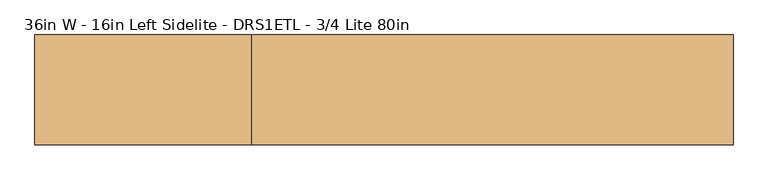
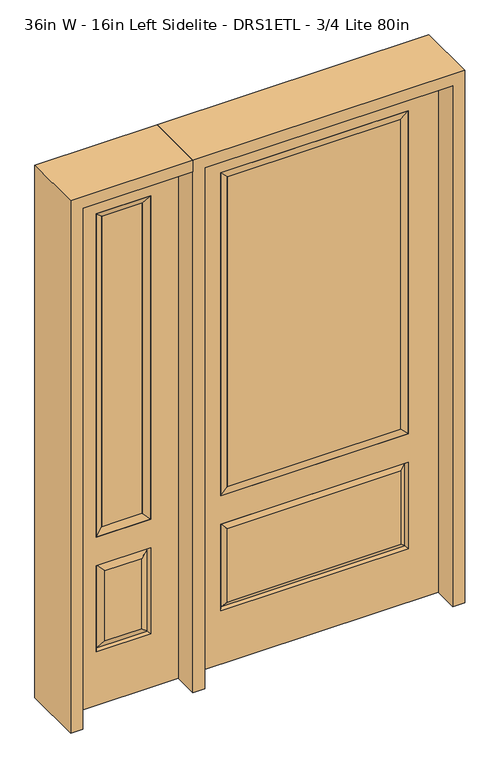
"""IFC4 building model written with IfcOpenShell, lengths in millimetres: door geometry, 36in W - 16in Left Sidelite - DRS1ETL - 3/4 Lite 80in."""

from ifc_helpers import new_model, si_unit, frame, origin, place, context, project, spatial, polyline, outline, extrude, faceted_brep, source, transform, mapped, element, save


def door_36in_w_16in_left_sidelite_drs1etl_3_4_lite_80in_ee45755c(model_context):
    return source(origin(), model_context, "Body", "SolidModel", [
        faceted_brep([(-908.05, -22.225, 0.0), (-501.65, -22.225, 0.0), (-501.65, -22.225, 2032.0), (-908.05, -22.225, 2032.0), (-604.52, -22.225, 1919.224), (-604.52, -22.225, 657.098), (-805.18, -22.225, 657.098), (-805.18, -22.225, 1919.224), (-604.52, -22.225, 209.55), (-805.18, -22.225, 209.55), (-805.18, -22.225, 546.1), (-604.52, -22.225, 546.1), (-773.4648999, -22.225, 241.2651001), (-636.2351001, -22.225, 241.2651001), (-636.2351001, -22.225, 514.3848999), (-773.4648999, -22.225, 514.3848999), (-908.05, 22.225, 0.0), (-908.05, 22.225, 2032.0), (-501.65, 22.225, 2032.0), (-501.65, 22.225, 0.0), (-604.52, 22.225, 1919.224), (-805.18, 22.225, 1919.224), (-805.18, 22.225, 657.098), (-604.52, 22.225, 657.098), (-805.18, 22.225, 209.55), (-604.52, 22.225, 209.55), (-604.52, 22.225, 546.1), (-805.18, 22.225, 546.1), (-636.2351001, 22.225, 241.2651001), (-773.4648999, 22.225, 241.2651001), (-773.4648999, 22.225, 514.3848999), (-636.2351001, 22.225, 514.3848999), (-611.6288501, 12.7912373, 216.6588501), (-798.0711499, 12.7912373, 216.6588501), (-798.0711499, 12.7912373, 538.9911499), (-611.6288501, 12.7912373, 538.9911499), (-798.0711499, -12.7912373, 216.6588501), (-611.6288501, -12.7912373, 216.6588501), (-798.0711499, -12.7912373, 538.9911499), (-611.6288501, -12.7912373, 538.9911499)], [[[0, 1, 2, 3], [4, 5, 6, 7], [8, 9, 10, 11]], [[12, 13, 14, 15]], [[16, 17, 18, 19], [20, 21, 22, 23], [24, 25, 26, 27]], [[28, 29, 30, 31]], [[1, 0, 16, 19]], [[2, 1, 19, 18]], [[3, 2, 18, 17]], [[0, 3, 17, 16]], [[5, 4, 20, 23]], [[6, 5, 23, 22]], [[7, 6, 22, 21]], [[4, 7, 21, 20]], [[32, 33, 29, 28]], [[33, 32, 25, 24]], [[29, 33, 34, 30]], [[33, 24, 27, 34]], [[30, 34, 35, 31]], [[34, 27, 26, 35]], [[32, 28, 31, 35]], [[25, 32, 35, 26]], [[12, 36, 37, 13]], [[37, 36, 9, 8]], [[36, 12, 15, 38]], [[9, 36, 38, 10]], [[38, 15, 14, 39]], [[10, 38, 39, 11]], [[13, 37, 39, 14]], [[37, 8, 11, 39]]]),
        faceted_brep([(-805.18, 22.225, 1919.224), (-805.18, -22.225, 1919.224), (-604.52, -22.225, 1919.224), (-604.52, 22.225, 1919.224), (-779.78, 12.7, 1893.824), (-629.92, 12.7, 1893.824), (-779.78, -12.7, 1893.824), (-629.92, -12.7, 1893.824), (-604.52, -22.225, 657.098), (-604.52, 22.225, 657.098), (-629.92, 12.7, 682.498), (-629.92, -12.7, 682.498), (-805.18, -22.225, 657.098), (-805.18, 22.225, 657.098), (-779.78, 12.7, 682.498), (-779.78, -12.7, 682.498)], [[[0, 1, 2, 3]], [[4, 0, 3, 5]], [[6, 4, 5, 7]], [[1, 6, 7, 2]], [[3, 2, 8, 9]], [[5, 3, 9, 10]], [[7, 5, 10, 11]], [[2, 7, 11, 8]], [[9, 8, 12, 13]], [[10, 9, 13, 14]], [[11, 10, 14, 15]], [[8, 11, 15, 12]], [[13, 12, 1, 0]], [[14, 13, 0, 4]], [[15, 14, 4, 6]], [[12, 15, 6, 1]]]),
        extrude(outline(polyline([(-629.92, -12.7), (-779.78, -12.7), (-779.78, 12.7), (-629.92, 12.7), (-629.92, -12.7)])), frame((0.0, 0.0, 682.498), z_axis=(0.0, 0.0, 1.0), x_axis=(1.0, 0.0, 0.0)), (0.0, 0.0, 1.0), 1211.326),
        faceted_brep([(-338.9661499, -12.7912373, 216.6588501), (338.9661499, -12.7912373, 216.6588501), (321.46875, -22.225, 234.15625), (-321.46875, -22.225, 234.15625), (-346.075, -22.225, 209.55), (346.075, -22.225, 209.55), (-338.9661499, -12.7912373, 538.9911499), (-346.075, -22.225, 546.1), (321.46875, -22.225, 521.49375), (-321.46875, -22.225, 521.49375), (457.2, -22.225, 2032.0), (-457.2, -22.225, 2032.0), (-457.2, -22.225, 0.0), (457.2, -22.225, 0.0), (346.075, -22.225, 546.1), (346.075, -22.225, 1917.7), (346.075, -22.225, 657.098), (-346.075, -22.225, 657.098), (-346.075, -22.225, 1917.7), (338.9661499, -12.7912373, 538.9911499), (-457.2, 22.225, 2032.0), (-457.2, 22.225, 0.0), (457.2, 22.225, 0.0), (457.2, 22.225, 2032.0), (346.075, 22.225, 1917.7), (346.075, 22.225, 657.098), (-346.075, 22.225, 657.098), (-346.075, 22.225, 1917.7), (-346.075, 22.225, 209.55), (346.075, 22.225, 209.55), (346.075, 22.225, 546.1), (-346.075, 22.225, 546.1), (321.46875, 22.225, 234.15625), (-321.46875, 22.225, 234.15625), (-321.46875, 22.225, 521.49375), (321.46875, 22.225, 521.49375), (-338.9661499, 12.7912373, 216.6588501), (338.9661499, 12.7912373, 216.6588501), (338.9661499, 12.7912373, 538.9911499), (-338.9661499, 12.7912373, 538.9911499)], [[[0, 1, 2, 3]], [[1, 0, 4, 5]], [[4, 0, 6, 7]], [[3, 2, 8, 9]], [[10, 11, 12, 13], [5, 4, 7, 14], [15, 16, 17, 18]], [[1, 5, 14, 19]], [[2, 1, 19, 8]], [[0, 3, 9, 6]], [[7, 6, 19, 14]], [[6, 9, 8, 19]], [[12, 11, 20, 21]], [[13, 12, 21, 22]], [[10, 13, 22, 23]], [[16, 15, 24, 25]], [[17, 16, 25, 26]], [[18, 17, 26, 27]], [[23, 22, 21, 20], [28, 29, 30, 31], [24, 27, 26, 25]], [[32, 33, 34, 35]], [[28, 36, 37, 29]], [[29, 37, 38, 30]], [[39, 31, 30, 38]], [[36, 28, 31, 39]], [[37, 36, 33, 32]], [[33, 36, 39, 34]], [[34, 39, 38, 35]], [[37, 32, 35, 38]], [[11, 10, 23, 20]], [[15, 18, 27, 24]]]),
        faceted_brep([(-346.075, -22.225, 1917.7), (-346.075, 22.225, 1917.7), (-346.075, 22.225, 657.098), (-346.075, -22.225, 657.098), (346.075, 22.225, 657.098), (346.075, -22.225, 657.098), (-320.675, 5.08, 682.498), (320.675, 5.08, 682.498), (346.075, 22.225, 1917.7), (346.075, -22.225, 1917.7), (-320.675, -20.32, 682.498), (320.675, -20.32, 682.498), (-320.675, -20.32, 1892.3), (320.675, -20.32, 1892.3), (-320.675, 5.08, 1892.3), (320.675, 5.08, 1892.3)], [[[0, 1, 2, 3]], [[3, 2, 4, 5]], [[2, 6, 7, 4]], [[5, 4, 8, 9]], [[10, 3, 5, 11]], [[12, 0, 3, 10]], [[11, 5, 9, 13]], [[6, 10, 11, 7]], [[14, 12, 10, 6]], [[7, 11, 13, 15]], [[1, 14, 6, 2]], [[4, 7, 15, 8]], [[9, 8, 1, 0]], [[13, 9, 0, 12]], [[15, 13, 12, 14]], [[8, 15, 14, 1]]]),
        extrude(outline(polyline([(320.675, -20.32), (-320.675, -20.32), (-320.675, 5.08), (320.675, 5.08), (320.675, -20.32)])), frame((0.0, 0.0, 682.498), z_axis=(0.0, 0.0, 1.0), x_axis=(1.0, 0.0, 0.0)), (0.0, 0.0, 1.0), 1209.802),
        extrude(outline(polyline([(2032.0, -501.65), (2076.45, -501.65), (2076.45, -952.5), (0.0, -952.5), (0.0, -908.05), (2032.0, -908.05), (2032.0, -501.65)])), frame((0.0, -114.3, 0.0), z_axis=(0.0, 1.0, 0.0), x_axis=(0.0, 0.0, 1.0)), (0.0, 0.0, 1.0), 228.6),
        extrude(outline(polyline([(2076.45, -501.65), (0.0, -501.65), (0.0, -457.2), (2032.0, -457.2), (2032.0, 457.2), (0.0, 457.2), (0.0, 501.65), (2076.45, 501.65), (2076.45, -501.65)])), frame((0.0, -114.3, 0.0), z_axis=(0.0, 1.0, 0.0), x_axis=(0.0, 0.0, 1.0)), (0.0, 0.0, 1.0), 228.6),
    ])


if __name__ == "__main__":
    model = new_model("IFC4")
    model_context = context("Model", 3, world=origin())
    ifc_project = project(units=[si_unit("LENGTHUNIT", "METRE", prefix="MILLI")], contexts=[model_context])
    site = spatial("IfcSite", under=ifc_project)
    building = spatial("IfcBuilding", under=site)
    placement = place(None, origin())
    door_36in_w_16in_left_sidelite_drs1etl_3_4_lite_80in_shape = door_36in_w_16in_left_sidelite_drs1etl_3_4_lite_80in_ee45755c(model_context)
    element("IfcDoor", 1, ObjectType="36in W - 16in Left Sidelite - DRS1ETL - 3/4 Lite 80in", at=placement, inside=building, context=model_context, shape_type="MappedRepresentation", body=[
        mapped(door_36in_w_16in_left_sidelite_drs1etl_3_4_lite_80in_shape, transform((0.0, 0.0, 0.0), x_axis=(1.0, 0.0, 0.0), y_axis=(0.0, 1.0, 0.0), z_axis=(0.0, 0.0, 1.0))),
    ])
    save(model, "model.ifc")
